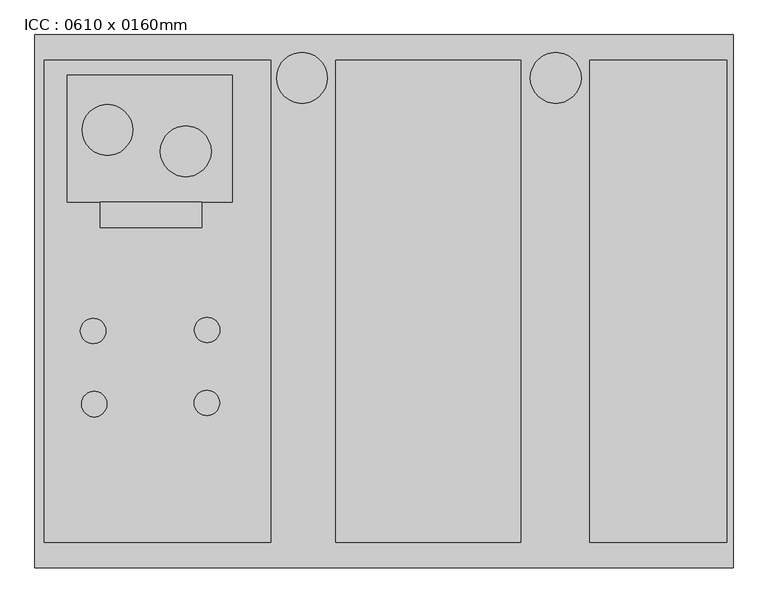
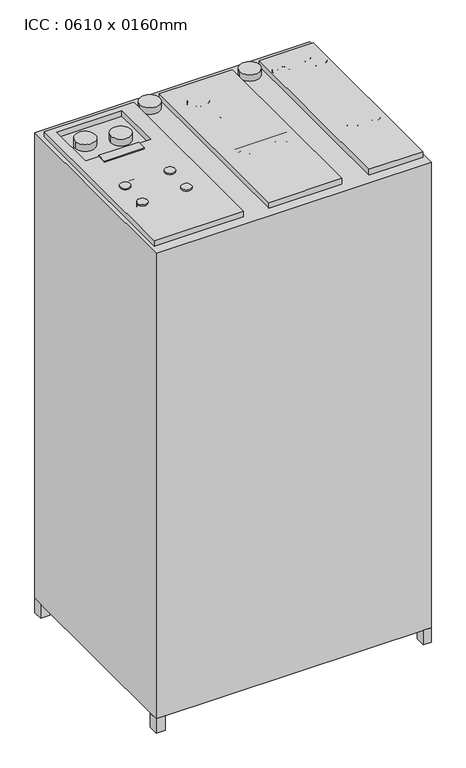
"""IFC4 building model written with IfcOpenShell, lengths in millimetres: furniture geometry, ICC : 0610 x 0160mm."""

from ifc_helpers import new_model, si_unit, point, frame, frame_2d, origin, origin_with_axes, place, context, project, spatial, polyline, circle_curve, trimmed, segment, composite_curve, outline, extrude, source, transform, mapped, element, save


def icc_0610_x_0160mm_02ec071e(model_context):
    return source(origin(), model_context, "Body", "SweptSolid", [
        extrude(outline(composite_curve([segment(trimmed(circle_curve(frame_2d((372.758099, 440.6971382)), 40.0), [point((332.758099, 440.6971382))], [point((412.758099, 440.6971382))], False, "CARTESIAN"), True, "CONTINUOUS"), segment(trimmed(circle_curve(frame_2d((372.758099, 440.6971382)), 40.0), [point((412.758099, 440.6971382))], [point((332.758099, 440.6971382))], False, "CARTESIAN"), True, "CONTINUOUS")], self_intersect=False), holes=[composite_curve([segment(trimmed(circle_curve(frame_2d((372.758099, 440.6971382)), 20.0), [point((352.758099, 440.6971382))], [point((392.758099, 440.6971382))], True, "CARTESIAN"), True, "CONTINUOUS"), segment(trimmed(circle_curve(frame_2d((372.758099, 440.6971382)), 20.0), [point((392.758099, 440.6971382))], [point((352.758099, 440.6971382))], True, "CARTESIAN"), True, "CONTINUOUS")], self_intersect=False)]), frame((0.0, 0.0, 1855.9696725), z_axis=(0.0, 0.0, 1.0), x_axis=(1.0, 0.0, 0.0)), (0.0, 0.0, 1.0), 136.7803111),
        extrude(outline(composite_curve([segment(trimmed(circle_curve(frame_2d((502.7854091, 441.4944985)), 40.0), [point((462.7854091, 441.4944985))], [point((542.7854091, 441.4944985))], False, "CARTESIAN"), True, "CONTINUOUS"), segment(trimmed(circle_curve(frame_2d((502.7854091, 441.4944985)), 40.0), [point((542.7854091, 441.4944985))], [point((462.7854091, 441.4944985))], False, "CARTESIAN"), True, "CONTINUOUS")], self_intersect=False), holes=[composite_curve([segment(trimmed(circle_curve(frame_2d((502.7854091, 441.4944985)), 20.0), [point((482.7854091, 441.4944985))], [point((522.7854091, 441.4944985))], True, "CARTESIAN"), True, "CONTINUOUS"), segment(trimmed(circle_curve(frame_2d((502.7854091, 441.4944985)), 20.0), [point((522.7854091, 441.4944985))], [point((482.7854091, 441.4944985))], True, "CARTESIAN"), True, "CONTINUOUS")], self_intersect=False)]), frame((0.0, 0.0, 1855.9696725), z_axis=(0.0, 0.0, 1.0), x_axis=(1.0, 0.0, 0.0)), (0.0, 0.0, 1.0), 136.7803111),
        extrude(outline(composite_curve([segment(trimmed(circle_curve(frame_2d((415.9621708, 37.9675338)), 20.0), [point((395.9621708, 37.9675338))], [point((435.9621708, 37.9675338))], False, "CARTESIAN"), True, "CONTINUOUS"), segment(trimmed(circle_curve(frame_2d((415.9621708, 37.9675338)), 20.0), [point((435.9621708, 37.9675338))], [point((395.9621708, 37.9675338))], False, "CARTESIAN"), True, "CONTINUOUS")], self_intersect=False)), frame((0.0, 0.0, 1855.9696725), z_axis=(0.0, 0.0, 1.0), x_axis=(1.0, 0.0, 0.0)), (0.0, 0.0, 1.0), 136.7803111),
        extrude(outline(composite_curve([segment(trimmed(circle_curve(frame_2d((502.9561276, 35.7737905)), 20.0), [point((482.9561276, 35.7737905))], [point((522.9561276, 35.7737905))], False, "CARTESIAN"), True, "CONTINUOUS"), segment(trimmed(circle_curve(frame_2d((502.9561276, 35.7737905)), 20.0), [point((522.9561276, 35.7737905))], [point((482.9561276, 35.7737905))], False, "CARTESIAN"), True, "CONTINUOUS")], self_intersect=False)), frame((0.0, 0.0, 1855.9696725), z_axis=(0.0, 0.0, 1.0), x_axis=(1.0, 0.0, 0.0)), (0.0, 0.0, 1.0), 136.7803111),
        extrude(outline(polyline([(172.509345, 95.4326537), (172.509345, 40.4326537), (-27.490655, 40.4326537), (-27.490655, 95.4326537), (172.509345, 95.4326537)]), holes=[composite_curve([segment(trimmed(circle_curve(frame_2d((0.0932289, 70.9407251)), 20.0), [point((-19.9067711, 70.9407251))], [point((20.0932289, 70.9407251))], True, "CARTESIAN"), True, "CONTINUOUS"), segment(trimmed(circle_curve(frame_2d((0.0932289, 70.9407251)), 20.0), [point((20.0932289, 70.9407251))], [point((-19.9067711, 70.9407251))], True, "CARTESIAN"), True, "CONTINUOUS")], self_intersect=False), composite_curve([segment(trimmed(circle_curve(frame_2d((147.509345, 68.4407251)), 20.0), [point((127.509345, 68.4407251))], [point((167.509345, 68.4407251))], True, "CARTESIAN"), True, "CONTINUOUS"), segment(trimmed(circle_curve(frame_2d((147.509345, 68.4407251)), 20.0), [point((167.509345, 68.4407251))], [point((127.509345, 68.4407251))], True, "CARTESIAN"), True, "CONTINUOUS")], self_intersect=False)]), frame((0.0, 0.0, 1849.7531927), z_axis=(0.0, 0.0, 1.0), x_axis=(1.0, 0.0, 0.0)), (0.0, 0.0, 1.0), 142.9974734),
        extrude(outline(composite_curve([segment(trimmed(circle_curve(frame_2d((27.3716629, 432.5153418)), 40.0), [point((-12.6283371, 432.5153418))], [point((67.3716629, 432.5153418))], False, "CARTESIAN"), True, "CONTINUOUS"), segment(trimmed(circle_curve(frame_2d((27.3716629, 432.5153418)), 40.0), [point((67.3716629, 432.5153418))], [point((-12.6283371, 432.5153418))], False, "CARTESIAN"), True, "CONTINUOUS")], self_intersect=False)), frame((0.0, 0.0, 1849.7531927), z_axis=(0.0, 0.0, 1.0), x_axis=(1.0, 0.0, 0.0)), (0.0, 0.0, 1.0), 142.9974734),
        extrude(outline(composite_curve([segment(trimmed(circle_curve(frame_2d((79.0067856, 295.8371688)), 40.0), [point((39.0067856, 295.8371688))], [point((119.0067856, 295.8371688))], False, "CARTESIAN"), True, "CONTINUOUS"), segment(trimmed(circle_curve(frame_2d((79.0067856, 295.8371688)), 40.0), [point((119.0067856, 295.8371688))], [point((39.0067856, 295.8371688))], False, "CARTESIAN"), True, "CONTINUOUS")], self_intersect=False)), frame((0.0, 0.0, 1849.7531927), z_axis=(0.0, 0.0, 1.0), x_axis=(1.0, 0.0, 0.0)), (0.0, 0.0, 1.0), 142.9974734),
        extrude(outline(polyline([(193.146174, 509.9680259), (193.146174, 109.9680259), (-46.853826, 109.9680259), (-46.853826, 509.9680259), (193.146174, 509.9680259)])), frame((0.0, 0.0, 1855.5885221), z_axis=(0.0, 0.0, 1.0), x_axis=(1.0, 0.0, 0.0)), (0.0, 0.0, 1.0), 137.2882951),
        extrude(outline(composite_curve([segment(trimmed(circle_curve(frame_2d((-125.6137602, 504.6417683)), 40.0), [point((-165.6137602, 504.6417683))], [point((-85.6137602, 504.6417683))], False, "CARTESIAN"), True, "CONTINUOUS"), segment(trimmed(circle_curve(frame_2d((-125.6137602, 504.6417683)), 40.0), [point((-85.6137602, 504.6417683))], [point((-165.6137602, 504.6417683))], False, "CARTESIAN"), True, "CONTINUOUS")], self_intersect=False)), frame((0.0, 0.0, 1860.9170586), z_axis=(0.0, 0.0, 1.0), x_axis=(1.0, 0.0, 0.0)), (0.0, 0.0, 1.0), 136.0078076),
        extrude(outline(composite_curve([segment(trimmed(circle_curve(frame_2d((274.3862398, 504.6417683)), 40.0), [point((234.3862398, 504.6417683))], [point((314.3862398, 504.6417683))], False, "CARTESIAN"), True, "CONTINUOUS"), segment(trimmed(circle_curve(frame_2d((274.3862398, 504.6417683)), 40.0), [point((314.3862398, 504.6417683))], [point((234.3862398, 504.6417683))], False, "CARTESIAN"), True, "CONTINUOUS")], self_intersect=False)), frame((0.0, 0.0, 1860.9170586), z_axis=(0.0, 0.0, 1.0), x_axis=(1.0, 0.0, 0.0)), (0.0, 0.0, 1.0), 136.0078076),
        extrude(outline(composite_curve([segment(trimmed(circle_curve(frame_2d((-432.0478338, 422.5535019)), 40.0), [point((-472.0478338, 422.5535019))], [point((-392.0478338, 422.5535019))], False, "CARTESIAN"), True, "CONTINUOUS"), segment(trimmed(circle_curve(frame_2d((-432.0478338, 422.5535019)), 40.0), [point((-392.0478338, 422.5535019))], [point((-472.0478338, 422.5535019))], False, "CARTESIAN"), True, "CONTINUOUS")], self_intersect=False)), frame((0.0, 0.0, 1849.7537474), z_axis=(0.0, 0.0, 1.0), x_axis=(1.0, 0.0, 0.0)), (0.0, 0.0, 1.0), 149.2147986),
        extrude(outline(composite_curve([segment(trimmed(circle_curve(frame_2d((-308.5725403, 388.8784218)), 40.0), [point((-348.5725403, 388.8784218))], [point((-268.5725403, 388.8784218))], False, "CARTESIAN"), True, "CONTINUOUS"), segment(trimmed(circle_curve(frame_2d((-308.5725403, 388.8784218)), 40.0), [point((-268.5725403, 388.8784218))], [point((-348.5725403, 388.8784218))], False, "CARTESIAN"), True, "CONTINUOUS")], self_intersect=False)), frame((0.0, 0.0, 1849.7537474), z_axis=(0.0, 0.0, 1.0), x_axis=(1.0, 0.0, 0.0)), (0.0, 0.0, 1.0), 149.2147986),
        extrude(outline(composite_curve([segment(trimmed(circle_curve(frame_2d((-454.4978872, 105.4464981)), 20.0), [point((-474.4978872, 105.4464981))], [point((-434.4978872, 105.4464981))], False, "CARTESIAN"), True, "CONTINUOUS"), segment(trimmed(circle_curve(frame_2d((-454.4978872, 105.4464981)), 20.0), [point((-434.4978872, 105.4464981))], [point((-474.4978872, 105.4464981))], False, "CARTESIAN"), True, "CONTINUOUS")], self_intersect=False)), frame((0.0, 0.0, 1849.7537474), z_axis=(0.0, 0.0, 1.0), x_axis=(1.0, 0.0, 0.0)), (0.0, 0.0, 1.0), 149.2147986),
        extrude(outline(composite_curve([segment(trimmed(circle_curve(frame_2d((-274.8974603, 107.0277281)), 20.0), [point((-294.8974603, 107.0277281))], [point((-254.8974603, 107.0277281))], False, "CARTESIAN"), True, "CONTINUOUS"), segment(trimmed(circle_curve(frame_2d((-274.8974603, 107.0277281)), 20.0), [point((-254.8974603, 107.0277281))], [point((-294.8974603, 107.0277281))], False, "CARTESIAN"), True, "CONTINUOUS")], self_intersect=False)), frame((0.0, 0.0, 1849.7537474), z_axis=(0.0, 0.0, 1.0), x_axis=(1.0, 0.0, 0.0)), (0.0, 0.0, 1.0), 149.2147986),
        extrude(outline(composite_curve([segment(trimmed(circle_curve(frame_2d((-452.8558468, -9.8323786)), 20.0), [point((-472.8558468, -9.8323786))], [point((-432.8558468, -9.8323786))], False, "CARTESIAN"), True, "CONTINUOUS"), segment(trimmed(circle_curve(frame_2d((-452.8558468, -9.8323786)), 20.0), [point((-432.8558468, -9.8323786))], [point((-472.8558468, -9.8323786))], False, "CARTESIAN"), True, "CONTINUOUS")], self_intersect=False)), frame((0.0, 0.0, 1849.7537474), z_axis=(0.0, 0.0, 1.0), x_axis=(1.0, 0.0, 0.0)), (0.0, 0.0, 1.0), 149.2147986),
        extrude(outline(composite_curve([segment(trimmed(circle_curve(frame_2d((-275.3601124, -8.0595738)), 20.0), [point((-295.3601124, -8.0595738))], [point((-255.3601124, -8.0595738))], False, "CARTESIAN"), True, "CONTINUOUS"), segment(trimmed(circle_curve(frame_2d((-275.3601124, -8.0595738)), 20.0), [point((-255.3601124, -8.0595738))], [point((-295.3601124, -8.0595738))], False, "CARTESIAN"), True, "CONTINUOUS")], self_intersect=False)), frame((0.0, 0.0, 1849.7537474), z_axis=(0.0, 0.0, 1.0), x_axis=(1.0, 0.0, 0.0)), (0.0, 0.0, 1.0), 149.2147986),
        extrude(outline(polyline([(-241.8283869, 152.4), (-241.8283869, 72.4), (-481.8283869, 72.4), (-481.8283869, 152.4), (-241.8283869, 152.4)])), frame((0.0, 0.0, 1843.5356764), z_axis=(0.0, 0.0, 1.0), x_axis=(1.0, 0.0, 0.0)), (0.0, 0.0, 1.0), 149.214769),
        extrude(outline(polyline([(-241.8283869, 18.1979093), (-241.8283869, -35.4870009), (-481.8283869, -35.4870009), (-481.8283869, 18.1979093), (-241.8283869, 18.1979093)])), frame((0.0, 0.0, 1843.5356764), z_axis=(0.0, 0.0, 1.0), x_axis=(1.0, 0.0, 0.0)), (0.0, 0.0, 1.0), 149.214769),
        extrude(outline(polyline([(-304.2129852, 268.6000743), (-304.2129852, 128.6000743), (-424.2129852, 128.6000743), (-424.2129852, 268.6000743), (-304.2129852, 268.6000743)])), frame((0.0, 0.0, 1855.971089), z_axis=(0.0, 0.0, 1.0), x_axis=(1.0, 0.0, 0.0)), (0.0, 0.0, 1.0), 136.7800147),
        extrude(outline(polyline([(-283.6365864, 308.6000743), (-283.6365864, 268.6000743), (-443.6365864, 268.6000743), (-443.6365864, 308.6000743), (-283.6365864, 308.6000743)])), frame((0.0, 0.0, 1849.754089), z_axis=(0.0, 0.0, 1.0), x_axis=(1.0, 0.0, 0.0)), (0.0, 0.0, 1.0), 149.2145911),
        extrude(outline(polyline([(-174.3836253, 532.4), (-174.3836253, -227.6), (-531.2663697, -227.6), (-531.2663697, 532.4), (-174.3836253, 532.4)]), holes=[polyline([(-235.5944286, 508.6000743), (-495.5944286, 508.6000743), (-495.5944286, 308.6000743), (-235.5944286, 308.6000743), (-235.5944286, 508.6000743)])]), frame((0.0, 0.0, 1860.9149061), z_axis=(0.0, 0.0, 1.0), x_axis=(1.0, 0.0, 0.0)), (0.0, 0.0, 1.0), 132.9972191),
        extrude(outline(polyline([(219.4847986, 532.4), (219.4847986, -227.6), (-71.9524505, -227.6), (-71.9524505, 532.4), (219.4847986, 532.4)])), frame((0.0, 0.0, 1860.9149061), z_axis=(0.0, 0.0, 1.0), x_axis=(1.0, 0.0, 0.0)), (0.0, 0.0, 1.0), 132.9972191),
        extrude(outline(polyline([(543.9067163, 532.4), (543.9067163, -227.6), (327.8964891, -227.6), (327.8964891, 532.4), (543.9067163, 532.4)])), frame((0.0, 0.0, 1860.9149061), z_axis=(0.0, 0.0, 1.0), x_axis=(1.0, 0.0, 0.0)), (0.0, 0.0, 1.0), 132.9972191),
        extrude(outline(polyline([(-509.6421091, 572.4), (-509.6421091, 532.4), (-546.2663697, 532.4), (-546.2663697, 572.4), (-509.6421091, 572.4)])), frame((0.0, 0.0, -60.0), z_axis=(0.0, 0.0, 1.0), x_axis=(1.0, 0.0, 0.0)), (0.0, 0.0, 1.0), 60.0),
        extrude(outline(polyline([(-509.6421091, -227.6), (-509.6421091, -267.6), (-546.2663697, -267.6), (-546.2663697, -227.6), (-509.6421091, -227.6)])), frame((0.0, 0.0, -60.0), z_axis=(0.0, 0.0, 1.0), x_axis=(1.0, 0.0, 0.0)), (0.0, 0.0, 1.0), 60.0),
        extrude(outline(polyline([(553.7336303, 572.4), (553.7336303, 532.4), (522.393696, 532.4), (522.393696, 572.4), (553.7336303, 572.4)])), frame((0.0, 0.0, -60.0), z_axis=(0.0, 0.0, 1.0), x_axis=(1.0, 0.0, 0.0)), (0.0, 0.0, 1.0), 60.0),
        extrude(outline(polyline([(553.7336303, -227.6), (553.7336303, -267.6), (522.393696, -267.6), (522.393696, -227.6), (553.7336303, -227.6)])), frame((0.0, 0.0, -60.0), z_axis=(0.0, 0.0, 1.0), x_axis=(1.0, 0.0, 0.0)), (0.0, 0.0, 1.0), 60.0),
        extrude(outline(polyline([(553.7336303, 572.4), (553.7336303, -267.6), (-546.2663697, -267.6), (-546.2663697, 572.4), (553.7336303, 572.4)])), origin_with_axes(), (0.0, 0.0, 1.0), 1970.0),
    ])


if __name__ == "__main__":
    model = new_model("IFC4")
    model_context = context("Model", 3, world=origin())
    ifc_project = project(units=[si_unit("LENGTHUNIT", "METRE", prefix="MILLI")], contexts=[model_context])
    site = spatial("IfcSite", under=ifc_project)
    building = spatial("IfcBuilding", under=site)
    placement = place(None, origin())
    icc_0610_x_0160mm_shape = icc_0610_x_0160mm_02ec071e(model_context)
    element("IfcFurniture", 1, ObjectType="ICC : 0610 x 0160mm", at=placement, inside=building, context=model_context, shape_type="MappedRepresentation", body=[
        mapped(icc_0610_x_0160mm_shape, transform((0.0, 0.0, 0.0), x_axis=(1.0, 0.0, 0.0), y_axis=(0.0, 1.0, 0.0), z_axis=(0.0, 0.0, 1.0))),
    ])
    save(model, "model.ifc")
